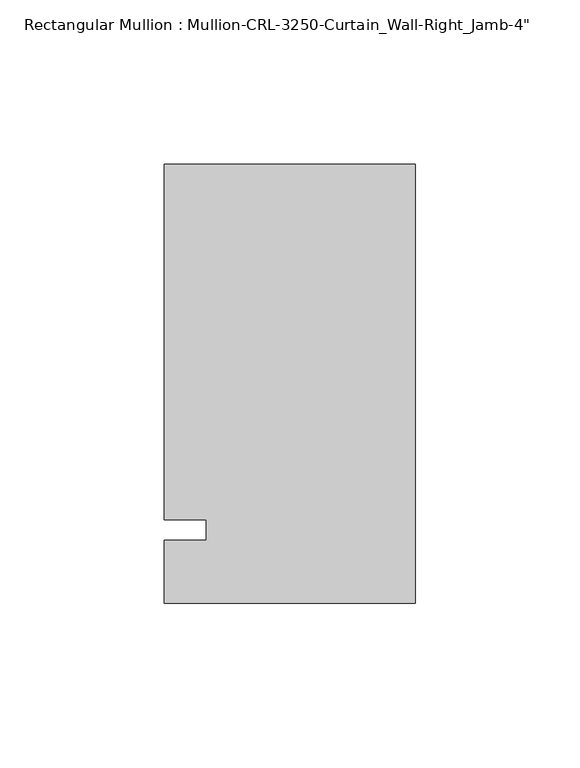
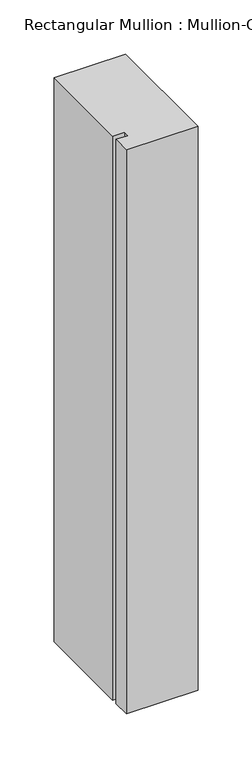
"""IFC4 building model written with IfcOpenShell, lengths in millimetres: member geometry."""

from ifc_helpers import new_model, si_unit, frame, origin, place, context, project, spatial, polyline, outline, extrude, source, transform, mapped, element, save


def member_9b6ebfa5(model_context):
    return source(origin(), model_context, "Body", "SweptSolid", [
        extrude(outline(polyline([(0.0, -22.2254168), (-76.199997, -22.2254168), (-76.199997, -3.175), (-63.499997, -3.175), (-63.499997, 3.175), (-76.199997, 3.175), (-76.199997, 111.1245832), (0.0, 111.1245832), (0.0, -22.2254168)])), frame((0.0, 0.0, -635.0), z_axis=(0.0, 0.0, 1.0), x_axis=(1.0, 0.0, 0.0)), (0.0, 0.0, 1.0), 635.0),
    ])


if __name__ == "__main__":
    model = new_model("IFC4")
    model_context = context("Model", 3, world=origin())
    ifc_project = project(units=[si_unit("LENGTHUNIT", "METRE", prefix="MILLI")], contexts=[model_context])
    site = spatial("IfcSite", under=ifc_project)
    building = spatial("IfcBuilding", under=site)
    placement = place(None, origin())
    member_shape = member_9b6ebfa5(model_context)
    element("IfcMember", 1, ObjectType="Rectangular Mullion : Mullion-CRL-3250-Curtain_Wall-Right_Jamb-4\"", at=placement, inside=building, context=model_context, shape_type="MappedRepresentation", body=[
        mapped(member_shape, transform((0.0, 0.0, 0.0), x_axis=(1.0, 0.0, 0.0), y_axis=(0.0, 1.0, 0.0), z_axis=(0.0, 0.0, 1.0))),
    ])
    save(model, "model.ifc")
